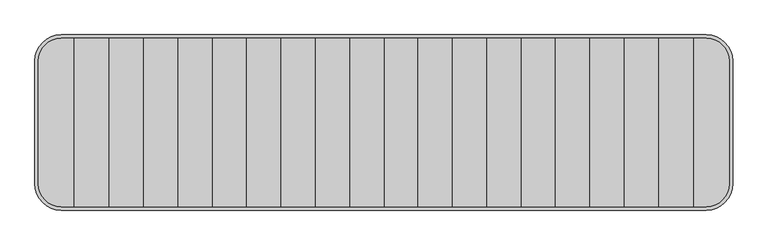
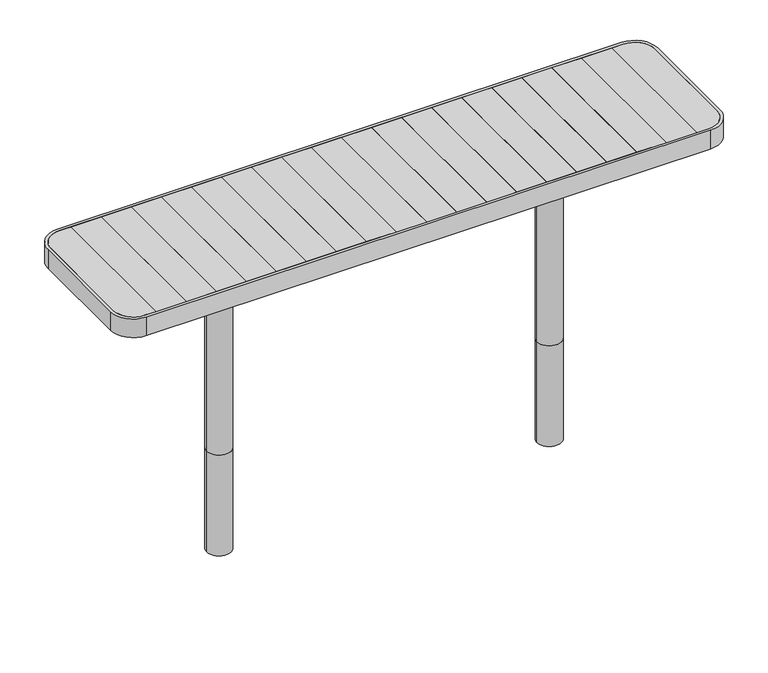
"""IFC4 building model written with IfcOpenShell, lengths in millimetres: furniture geometry."""

import ifcopenshell
import ifcopenshell.guid

model = None  # the IFC model being written
_history = None  # IfcOwnerHistory: only IFC2X3 demands one
_inside = {}  # id of a spatial element -> (the spatial element, [elements in it])
_under = {}  # id of a project, library or spatial element -> (it, [spatial elements below it])
_declared = {}  # id of a project -> (the project, [libraries it declares])
_typed = {}  # id of a type object -> (the type object, [elements of that type])
_made_of = {}  # id of a material, layer set ... -> (it, [elements and type objects made of it])


def new_model(schema):
    """Start an empty IFC model of exactly this schema.

    Asked for "IFC4X3", IfcOpenShell would pick the latest addendum, in which some entities
    have other attributes; the version numbers below select the first issue.
    IFC2X3 requires an IfcOwnerHistory on every rooted entity: one is made here for all.
    """
    global model, _history
    if schema == "IFC4X3":
        model = ifcopenshell.file(schema_version=(4, 3, 0, 0))
    else:
        model = ifcopenshell.file(schema=schema)
    _inside.clear()
    _under.clear()
    _declared.clear()
    _typed.clear()
    _made_of.clear()
    _history = None
    if model.schema == "IFC2X3":
        org = make("IfcOrganization", Name="unknown")
        user = make(
            "IfcPersonAndOrganization",
            ThePerson=make("IfcPerson", FamilyName="unknown"),
            TheOrganization=org,
        )
        app = make(
            "IfcApplication",
            ApplicationDeveloper=org,
            Version="unknown",
            ApplicationFullName="unknown",
            ApplicationIdentifier="unknown",
        )
        _history = make(
            "IfcOwnerHistory",
            OwningUser=user,
            OwningApplication=app,
            ChangeAction="ADDED",
            CreationDate=0,
        )
    return model


def make(cls, **values):
    """One entity of the class cls with the attributes given. An attribute that is None is left unset."""
    return model.create_entity(
        cls, **{name: value for name, value in values.items() if value is not None}
    )


def rooted(cls, **values):
    """An entity with a GlobalId (a new one), such as an element, a storey or a relation."""
    return make(cls, GlobalId=ifcopenshell.guid.new(), OwnerHistory=_history, **values)


def si_unit(unit_type, name, prefix=None):
    """IfcSIUnit, for example si_unit("LENGTHUNIT", "METRE", prefix="MILLI")."""
    return make("IfcSIUnit", UnitType=unit_type, Prefix=prefix, Name=name)


def assignment(units):
    """IfcUnitAssignment: the units of a project."""
    return None if units is None else make("IfcUnitAssignment", Units=units)


def point(xyz):
    """IfcCartesianPoint."""
    return None if xyz is None else make("IfcCartesianPoint", Coordinates=xyz)


def direction(xyz):
    """IfcDirection."""
    return None if xyz is None else make("IfcDirection", DirectionRatios=xyz)


def frame(location, z_axis=None, x_axis=None):
    """IfcAxis2Placement3D, a coordinate frame: its origin and axes. An axis left out is left unset."""
    return make(
        "IfcAxis2Placement3D",
        Location=point(location),
        Axis=direction(z_axis),
        RefDirection=direction(x_axis),
    )


def frame_2d(location, x_axis=None):
    """IfcAxis2Placement2D, a coordinate frame in the plane: its origin and x axis."""
    return make(
        "IfcAxis2Placement2D", Location=point(location), RefDirection=direction(x_axis)
    )


def origin():
    """The frame at (0, 0, 0) with its axes left unset."""
    return frame((0.0, 0.0, 0.0))


def origin_with_axes():
    """The frame at (0, 0, 0) with the z axis (0, 0, 1) and the x axis (1, 0, 0) written out."""
    return frame((0.0, 0.0, 0.0), z_axis=(0.0, 0.0, 1.0), x_axis=(1.0, 0.0, 0.0))


def place(relative_to, where):
    """IfcLocalPlacement: puts the frame where relative to a parent placement (None: the world)."""
    return make(
        "IfcLocalPlacement", PlacementRelTo=relative_to, RelativePlacement=where
    )


def context(
    kind, dimensions, precision=None, world=None, true_north=None, identifier=None
):
    """IfcGeometricRepresentationContext, for example the 3D "Model" context."""
    return make(
        "IfcGeometricRepresentationContext",
        ContextIdentifier=identifier,
        ContextType=kind,
        CoordinateSpaceDimension=dimensions,
        Precision=precision,
        WorldCoordinateSystem=world,
        TrueNorth=true_north,
    )


def project(units=None, contexts=None):
    """IfcProject with its units and contexts."""
    return rooted(
        "IfcProject",
        Name="project",
        RepresentationContexts=contexts,
        UnitsInContext=assignment(units),
    )


def spatial(cls, under=None, at=None, **own):
    """A site, building, storey or space (cls), placed at a placement, below another one or the project."""
    s = rooted(cls, ObjectPlacement=at, **own)
    if under is not None:
        _under.setdefault(under.id(), (under, []))[1].append(s)
    return s


def polyline(points):
    """IfcPolyline through the points."""
    return make("IfcPolyline", Points=[point(p) for p in points])


def circle_curve(where, radius):
    """IfcCircle in the frame where."""
    return make("IfcCircle", Position=where, Radius=radius)


def trimmed(basis, trim1, trim2, sense, master):
    """IfcTrimmedCurve: the piece of a basis curve between two trims."""
    return make(
        "IfcTrimmedCurve",
        BasisCurve=basis,
        Trim1=trim1,
        Trim2=trim2,
        SenseAgreement=sense,
        MasterRepresentation=master,
    )


def segment(curve, same_sense, transition):
    """IfcCompositeCurveSegment."""
    return make(
        "IfcCompositeCurveSegment",
        Transition=transition,
        SameSense=same_sense,
        ParentCurve=curve,
    )


def composite_curve(segments, self_intersect=None):
    """IfcCompositeCurve: segments joined end to end."""
    return make("IfcCompositeCurve", Segments=segments, SelfIntersect=self_intersect)


def outline(outer, holes=None, kind="AREA"):
    """IfcArbitraryClosedProfileDef: a profile drawn as a closed curve; with holes, ...WithVoids."""
    if holes is None:
        return make("IfcArbitraryClosedProfileDef", ProfileType=kind, OuterCurve=outer)
    return make(
        "IfcArbitraryProfileDefWithVoids",
        ProfileType=kind,
        OuterCurve=outer,
        InnerCurves=holes,
    )


def extrude(swept, where, along, depth):
    """IfcExtrudedAreaSolid: the profile swept, set in the frame where, extruded along a direction by depth."""
    return make(
        "IfcExtrudedAreaSolid",
        SweptArea=swept,
        Position=where,
        ExtrudedDirection=direction(along),
        Depth=depth,
    )


def shape(context_of_items, identifier, shape_type, items):
    """IfcShapeRepresentation: the items that make up one representation, for example the "Body"."""
    return make(
        "IfcShapeRepresentation",
        ContextOfItems=context_of_items,
        RepresentationIdentifier=identifier,
        RepresentationType=shape_type,
        Items=items,
    )


def source(mapping_origin, context_of_items, identifier, shape_type, items):
    """IfcRepresentationMap: a shape defined once, which mapped items show again and again."""
    return make(
        "IfcRepresentationMap",
        MappingOrigin=mapping_origin,
        MappedRepresentation=shape(context_of_items, identifier, shape_type, items),
    )


def transform(
    local_origin,
    x_axis=None,
    y_axis=None,
    z_axis=None,
    scale=None,
    scale2=None,
    scale3=None,
    uniform=True,
):
    """IfcCartesianTransformationOperator3D, or its non-uniform kind. x_axis, y_axis, z_axis: its Axis1, 2, 3."""
    if uniform:
        return make(
            "IfcCartesianTransformationOperator3D",
            Axis1=direction(x_axis),
            Axis2=direction(y_axis),
            LocalOrigin=point(local_origin),
            Scale=scale,
            Axis3=direction(z_axis),
        )
    return make(
        "IfcCartesianTransformationOperator3DnonUniform",
        Axis1=direction(x_axis),
        Axis2=direction(y_axis),
        LocalOrigin=point(local_origin),
        Scale=scale,
        Axis3=direction(z_axis),
        Scale2=scale2,
        Scale3=scale3,
    )


def mapped(mapping_source, mapping_target):
    """IfcMappedItem: shows the shape of a source again, moved by a transform."""
    return make(
        "IfcMappedItem", MappingSource=mapping_source, MappingTarget=mapping_target
    )


def made_of(thing, what):
    """Note that an element or type object is made of a material, layer set ...; save() writes the relation."""
    if what is not None:
        _made_of.setdefault(what.id(), (what, []))[1].append(thing)
    return thing


def element(
    cls,
    number,
    at=None,
    inside=None,
    cuts=None,
    type_object=None,
    material=None,
    context=None,
    identifier="Body",
    shape_type=None,
    held_by="IfcProductDefinitionShape",
    body=None,
    shapes=None,
    **own,
):
    """One element of the class cls, such as IfcWall. Its Tag is "e" and its number.

    at: its placement. inside: the storey or other place that contains it. cuts: it is an
    opening in that element (IfcRelVoidsElement). A single representation is given by context,
    identifier, shape_type and body (its items); several are given by shapes. held_by: the class
    of the entity that holds the representations. save() writes the other relations.
    """
    e = rooted(cls, Tag="e%d" % number, ObjectPlacement=at, **own)
    if body is not None:
        shapes = [shape(context, identifier, shape_type, body)]
    if shapes is not None:
        e.Representation = make(held_by, Representations=shapes)
    if inside is not None:
        _inside.setdefault(inside.id(), (inside, []))[1].append(e)
    if cuts is not None:
        rooted(
            "IfcRelVoidsElement", RelatingBuildingElement=cuts, RelatedOpeningElement=e
        )
    if type_object is not None:
        _typed.setdefault(type_object.id(), (type_object, []))[1].append(e)
    return made_of(e, material)


def aggregate(whole, parts):
    """IfcRelAggregates: a whole, such as a stair, and the parts it consists of."""
    return rooted("IfcRelAggregates", RelatingObject=whole, RelatedObjects=parts)


def save(model, path):
    """Write the relations noted so far, then the file.

    IfcRelAggregates (storeys below a building ...), IfcRelContainedInSpatialStructure (elements
    in a storey), IfcRelDefinesByType, IfcRelAssociatesMaterial and IfcRelDeclares: one each for
    every whole, place, type object, material and project.
    """
    for whole, parts in _under.values():
        aggregate(whole, parts)
    for where, things in _inside.values():
        rooted(
            "IfcRelContainedInSpatialStructure",
            RelatedElements=things,
            RelatingStructure=where,
        )
    for kind, things in _typed.values():
        rooted("IfcRelDefinesByType", RelatedObjects=things, RelatingType=kind)
    for what, things in _made_of.values():
        rooted("IfcRelAssociatesMaterial", RelatedObjects=things, RelatingMaterial=what)
    for by, libraries in _declared.values():
        rooted("IfcRelDeclares", RelatingContext=by, RelatedDefinitions=libraries)
    model.write(path)


def plane_surface(at):
    """IfcPlane: the flat surface through the origin of the frame at, square to its z axis."""
    return make("IfcPlane", Position=at)


def cylinder_surface(at, radius):
    """IfcCylindricalSurface: all points at the distance radius from the z axis of the frame at."""
    return make("IfcCylindricalSurface", Position=at, Radius=radius)


def advanced_brep(points, edges, surfaces, faces):
    """IfcAdvancedBrep: a solid bounded by faces that lie on surfaces and meet in shared edges.

    An edge is (start, end): straight between two places in points (the first is 0);
    or (start, end, curve); or (start, end, curve, False) where it runs against its curve.
    A face is (place in surfaces, loops), or (place, loops, False) where it looks against
    its surface's normal. A loop lists edges by number (the first is 1), with a minus sign
    where the edge is run from its end to its start. The first loop is the outer one.
    """
    corners = [point(p) for p in points]
    vertices = [make("IfcVertexPoint", VertexGeometry=c) for c in corners]
    made = []
    for start, end, *more in edges:
        made.append(
            make(
                "IfcEdgeCurve",
                EdgeStart=vertices[start],
                EdgeEnd=vertices[end],
                EdgeGeometry=more[0] if more else make("IfcPolyline", Points=[corners[start], corners[end]]),
                SameSense=more[1] if len(more) > 1 else True,
            )
        )
    hull = []
    for where, loops, *sense in faces:
        bounds = []
        for j, loop in enumerate(loops):
            ring = [make("IfcOrientedEdge", EdgeElement=made[abs(k) - 1], Orientation=k > 0) for k in loop]
            bounds.append(
                make(
                    "IfcFaceOuterBound" if j == 0 else "IfcFaceBound",
                    Bound=make("IfcEdgeLoop", EdgeList=ring),
                    Orientation=True,
                )
            )
        hull.append(make("IfcAdvancedFace", Bounds=bounds, FaceSurface=surfaces[where], SameSense=sense[0] if sense else True))
    return make("IfcAdvancedBrep", Outer=make("IfcClosedShell", CfsFaces=hull))


def furniture_fd0d59cf(model_context):
    return source(origin(), model_context, "Body", "SolidModel", [
        extrude(outline(polyline([(-789.6, -242.0), (-888.3, -242.0), (-888.3, 242.0), (-789.6, 242.0), (-789.6, -242.0)])), frame((0.0, 0.0, 712.0), z_axis=(0.0, 0.0, 1.0), x_axis=(1.0, 0.0, 0.0)), (0.0, 0.0, 1.0), 28.0),
        extrude(outline(polyline([(-690.9, -242.0), (-789.6, -242.0), (-789.6, 242.0), (-690.9, 242.0), (-690.9, -242.0)])), frame((0.0, 0.0, 712.0), z_axis=(0.0, 0.0, 1.0), x_axis=(1.0, 0.0, 0.0)), (0.0, 0.0, 1.0), 28.0),
        extrude(outline(polyline([(-592.2, -242.0), (-690.9, -242.0), (-690.9, 242.0), (-592.2, 242.0), (-592.2, -242.0)])), frame((0.0, 0.0, 712.0), z_axis=(0.0, 0.0, 1.0), x_axis=(1.0, 0.0, 0.0)), (0.0, 0.0, 1.0), 28.0),
        extrude(outline(polyline([(-493.5, -242.0), (-592.2, -242.0), (-592.2, 242.0), (-493.5, 242.0), (-493.5, -242.0)])), frame((0.0, 0.0, 712.0), z_axis=(0.0, 0.0, 1.0), x_axis=(1.0, 0.0, 0.0)), (0.0, 0.0, 1.0), 28.0),
        extrude(outline(polyline([(-394.8, -242.0), (-493.5, -242.0), (-493.5, 242.0), (-394.8, 242.0), (-394.8, -242.0)])), frame((0.0, 0.0, 712.0), z_axis=(0.0, 0.0, 1.0), x_axis=(1.0, 0.0, 0.0)), (0.0, 0.0, 1.0), 28.0),
        extrude(outline(polyline([(-296.1, -242.0), (-394.8, -242.0), (-394.8, 242.0), (-296.1, 242.0), (-296.1, -242.0)])), frame((0.0, 0.0, 712.0), z_axis=(0.0, 0.0, 1.0), x_axis=(1.0, 0.0, 0.0)), (0.0, 0.0, 1.0), 28.0),
        extrude(outline(composite_curve([segment(polyline([(-991.9176702, -177.0), (-991.9176702, 177.0)]), True, "CONTINUOUS"), segment(trimmed(circle_curve(frame_2d((-926.9176702, 177.0)), 65.0), [point((-991.9176702, 177.0))], [point((-926.9176702, 242.0))], False, "CARTESIAN"), True, "CONTINUOUS"), segment(polyline([(-926.9176702, 242.0), (-888.3, 242.0), (-888.3, -242.0), (-926.9176702, -242.0)]), True, "CONTINUOUS"), segment(trimmed(circle_curve(frame_2d((-926.9176702, -177.0)), 65.0), [point((-926.9176702, -242.0))], [point((-991.9176702, -177.0))], False, "CARTESIAN"), True, "CONTINUOUS")], self_intersect=False)), frame((0.0, 0.0, 712.0), z_axis=(0.0, 0.0, 1.0), x_axis=(1.0, 0.0, 0.0)), (0.0, 0.0, 1.0), 28.0),
        extrude(outline(polyline([(-197.4, -242.0), (-296.1, -242.0), (-296.1, 242.0), (-197.4, 242.0), (-197.4, -242.0)])), frame((0.0, 0.0, 712.0), z_axis=(0.0, 0.0, 1.0), x_axis=(1.0, 0.0, 0.0)), (0.0, 0.0, 1.0), 28.0),
        extrude(outline(polyline([(-98.7, -242.0), (-197.4, -242.0), (-197.4, 242.0), (-98.7, 242.0), (-98.7, -242.0)])), frame((0.0, 0.0, 712.0), z_axis=(0.0, 0.0, 1.0), x_axis=(1.0, 0.0, 0.0)), (0.0, 0.0, 1.0), 28.0),
        extrude(outline(polyline([(0.0, -242.0), (-98.7, -242.0), (-98.7, 242.0), (0.0, 242.0), (0.0, -242.0)])), frame((0.0, 0.0, 712.0), z_axis=(0.0, 0.0, 1.0), x_axis=(1.0, 0.0, 0.0)), (0.0, 0.0, 1.0), 28.0),
        extrude(outline(polyline([(888.3, -242.0), (789.6, -242.0), (789.6, 242.0), (888.3, 242.0), (888.3, -242.0)])), frame((0.0, 0.0, 712.0), z_axis=(0.0, 0.0, 1.0), x_axis=(1.0, 0.0, 0.0)), (0.0, 0.0, 1.0), 28.0),
        extrude(outline(polyline([(789.6, -242.0), (690.9, -242.0), (690.9, 242.0), (789.6, 242.0), (789.6, -242.0)])), frame((0.0, 0.0, 712.0), z_axis=(0.0, 0.0, 1.0), x_axis=(1.0, 0.0, 0.0)), (0.0, 0.0, 1.0), 28.0),
        extrude(outline(polyline([(690.9, -242.0), (592.2, -242.0), (592.2, 242.0), (690.9, 242.0), (690.9, -242.0)])), frame((0.0, 0.0, 712.0), z_axis=(0.0, 0.0, 1.0), x_axis=(1.0, 0.0, 0.0)), (0.0, 0.0, 1.0), 28.0),
        extrude(outline(polyline([(592.2, -242.0), (493.5, -242.0), (493.5, 242.0), (592.2, 242.0), (592.2, -242.0)])), frame((0.0, 0.0, 712.0), z_axis=(0.0, 0.0, 1.0), x_axis=(1.0, 0.0, 0.0)), (0.0, 0.0, 1.0), 28.0),
        extrude(outline(polyline([(493.5, -242.0), (394.8, -242.0), (394.8, 242.0), (493.5, 242.0), (493.5, -242.0)])), frame((0.0, 0.0, 712.0), z_axis=(0.0, 0.0, 1.0), x_axis=(1.0, 0.0, 0.0)), (0.0, 0.0, 1.0), 28.0),
        extrude(outline(polyline([(394.8, -242.0), (296.1, -242.0), (296.1, 242.0), (394.8, 242.0), (394.8, -242.0)])), frame((0.0, 0.0, 712.0), z_axis=(0.0, 0.0, 1.0), x_axis=(1.0, 0.0, 0.0)), (0.0, 0.0, 1.0), 28.0),
        extrude(outline(composite_curve([segment(trimmed(circle_curve(frame_2d((926.9176702, -177.0)), 65.0), [point((991.9176702, -177.0))], [point((926.9176702, -242.0))], False, "CARTESIAN"), True, "CONTINUOUS"), segment(polyline([(926.9176702, -242.0), (888.3, -242.0), (888.3, 242.0), (926.9176702, 242.0)]), True, "CONTINUOUS"), segment(trimmed(circle_curve(frame_2d((926.9176702, 177.0)), 65.0), [point((926.9176702, 242.0))], [point((991.9176702, 177.0))], False, "CARTESIAN"), True, "CONTINUOUS"), segment(polyline([(991.9176702, 177.0), (991.9176702, -177.0)]), True, "CONTINUOUS")], self_intersect=False)), frame((0.0, 0.0, 712.0), z_axis=(0.0, 0.0, 1.0), x_axis=(1.0, 0.0, 0.0)), (0.0, 0.0, 1.0), 28.0),
        extrude(outline(polyline([(296.1, -242.0), (197.4, -242.0), (197.4, 242.0), (296.1, 242.0), (296.1, -242.0)])), frame((0.0, 0.0, 712.0), z_axis=(0.0, 0.0, 1.0), x_axis=(1.0, 0.0, 0.0)), (0.0, 0.0, 1.0), 28.0),
        extrude(outline(polyline([(197.4, -242.0), (98.7, -242.0), (98.7, 242.0), (197.4, 242.0), (197.4, -242.0)])), frame((0.0, 0.0, 712.0), z_axis=(0.0, 0.0, 1.0), x_axis=(1.0, 0.0, 0.0)), (0.0, 0.0, 1.0), 28.0),
        extrude(outline(polyline([(98.7, -242.0), (0.0, -242.0), (0.0, 242.0), (98.7, 242.0), (98.7, -242.0)])), frame((0.0, 0.0, 712.0), z_axis=(0.0, 0.0, 1.0), x_axis=(1.0, 0.0, 0.0)), (0.0, 0.0, 1.0), 28.0),
        advanced_brep(
        [(-991.9176702, 177.0, 708.0), (-926.9176702, 242.0, 708.0), (926.9176702, 242.0, 708.0), (991.9176702, 177.0, 708.0), (991.9176702, -177.0, 708.0), (926.9176702, -242.0, 708.0), (-926.9176702, -242.0, 708.0), (-991.9176702, -177.0, 708.0), (-583.3785308, -142.0, 708.0), (-583.3785308, 142.0, 708.0), (-893.3, 141.9868511, 708.0), (-893.3, -142.0, 708.0), (-502.3618569, 142.0, 708.0), (-502.3618569, -142.0, 708.0), (502.3618569, -142.0, 708.0), (502.3618569, 142.0, 708.0), (893.3, 141.9868511, 708.0), (583.3785308, 141.9897709, 708.0), (583.3785308, -142.0, 708.0), (893.3, -142.0, 708.0), (-583.3785308, -142.0, 712.0), (-583.3785308, 142.0, 712.0), (-991.9176702, 177.0, 712.0), (-991.9176702, -177.0, 712.0), (-926.9176702, -242.0, 712.0), (926.9176702, -242.0, 712.0), (991.9176702, -177.0, 712.0), (991.9176702, 177.0, 712.0), (926.9176702, 242.0, 712.0), (-926.9176702, 242.0, 712.0), (-893.3, -142.0, 712.0), (-893.3, 141.9868511, 712.0), (-502.3618569, -142.0, 712.0), (-502.3618569, 142.0, 712.0), (502.3618569, 141.9905342, 712.0), (502.3618569, -142.0, 712.0), (893.3, -142.0, 712.0), (583.3785308, -142.0, 712.0), (583.3785308, 142.0, 712.0), (893.3, 141.9868511, 712.0)],
        [
            (0, 1, circle_curve(frame((-926.9176702, 177.0, 708.0), z_axis=(0.0, 0.0, -1.0), x_axis=(1.0, 0.0, 0.0)), 65.0)),
            (1, 2),
            (2, 3, circle_curve(frame((926.9176702, 177.0, 708.0), z_axis=(0.0, 0.0, -1.0), x_axis=(-1.0, 0.0, 0.0)), 65.0)),
            (3, 4),
            (4, 5, circle_curve(frame((926.9176702, -177.0, 708.0), z_axis=(0.0, 0.0, -1.0), x_axis=(-1.0, 0.0, 0.0)), 65.0)),
            (5, 6),
            (6, 7, circle_curve(frame((-926.9176702, -177.0, 708.0), z_axis=(0.0, 0.0, -1.0), x_axis=(1.0, 0.0, 0.0)), 65.0)),
            (7, 0),
            (8, 9),
            (9, 10),
            (10, 11),
            (11, 8),
            (12, 13),
            (13, 14),
            (14, 15),
            (15, 12),
            (16, 17),
            (17, 18),
            (18, 19),
            (19, 16),
            (8, 20),
            (20, 21),
            (21, 9),
            (22, 23),
            (23, 24, circle_curve(frame((-926.9176702, -177.0, 712.0), z_axis=(0.0, 0.0, 1.0), x_axis=(1.0, 0.0, 0.0)), 65.0)),
            (24, 25),
            (25, 26, circle_curve(frame((926.9176702, -177.0, 712.0), z_axis=(0.0, 0.0, 1.0), x_axis=(-1.0, 0.0, 0.0)), 65.0)),
            (26, 27),
            (27, 28, circle_curve(frame((926.9176702, 177.0, 712.0), z_axis=(0.0, 0.0, 1.0), x_axis=(-1.0, 0.0, 0.0)), 65.0)),
            (28, 29),
            (29, 22, circle_curve(frame((-926.9176702, 177.0, 712.0), z_axis=(0.0, 0.0, 1.0), x_axis=(1.0, 0.0, 0.0)), 65.0)),
            (20, 30),
            (30, 31),
            (31, 21),
            (32, 33),
            (33, 34),
            (34, 35),
            (35, 32),
            (36, 37),
            (37, 38),
            (38, 39),
            (39, 36),
            (12, 33),
            (32, 13),
            (22, 0),
            (7, 23),
            (6, 24),
            (5, 25),
            (4, 26),
            (3, 27),
            (2, 28),
            (1, 29),
            (15, 34),
            (31, 10),
            (16, 39),
            (38, 17),
            (19, 36),
            (35, 14),
            (18, 37),
            (11, 30),
        ],
        [
            plane_surface(frame((-583.3785308, -142.0, 708.0), z_axis=(0.0, 0.0, -1.0), x_axis=(0.0, 1.0, 0.0))),
            plane_surface(frame((-583.3785308, -142.0, 712.0), z_axis=(-1.0, 0.0, 0.0), x_axis=(0.0, 1.0, 0.0))),
            plane_surface(frame((-502.3618569, -142.0, 712.0), z_axis=(0.0, 0.0, 1.0), x_axis=(0.0, 1.0, 0.0))),
            plane_surface(frame((-502.3618569, -142.0, 708.0), z_axis=(1.0, 0.0, 0.0), x_axis=(0.0, 1.0, 0.0))),
            plane_surface(frame((-991.9176702, 177.0, 712.0), z_axis=(-1.0, 0.0, 0.0), x_axis=(0.0, 0.0, -1.0))),
            cylinder_surface(frame((-926.9176702, -177.0, 708.0), z_axis=(0.0, 0.0, 1.0), x_axis=(1.0, 0.0, 0.0)), 65.0),
            plane_surface(frame((-926.9176702, -242.0, 712.0), z_axis=(0.0, -1.0, 0.0), x_axis=(0.0, 0.0, -1.0))),
            cylinder_surface(frame((926.9176702, -177.0, 708.0), z_axis=(0.0, 0.0, 1.0), x_axis=(-1.0, 0.0, 0.0)), 65.0),
            plane_surface(frame((991.9176702, -177.0, 712.0), z_axis=(1.0, 0.0, 0.0), x_axis=(0.0, 0.0, -1.0))),
            cylinder_surface(frame((926.9176702, 177.0, 708.0), z_axis=(0.0, 0.0, 1.0), x_axis=(-1.0, 0.0, 0.0)), 65.0),
            plane_surface(frame((926.9176702, 242.0, 712.0), z_axis=(0.0, 1.0, 0.0), x_axis=(0.0, 0.0, -1.0))),
            cylinder_surface(frame((-926.9176702, 177.0, 708.0), z_axis=(0.0, 0.0, 1.0), x_axis=(1.0, 0.0, 0.0)), 65.0),
            plane_surface(frame((-893.3, 141.9868511, 712.0), z_axis=(0.0, -1.0, 0.0), x_axis=(0.0, 0.0, -1.0))),
            plane_surface(frame((893.3, 141.9868511, 712.0), z_axis=(-1.0, 0.0, 0.0), x_axis=(0.0, 0.0, -1.0))),
            plane_surface(frame((893.3, -142.0, 712.0), z_axis=(0.0, 1.0, 0.0), x_axis=(0.0, 0.0, -1.0))),
            plane_surface(frame((-893.3, -142.0, 712.0), z_axis=(1.0, 0.0, 0.0), x_axis=(0.0, 0.0, -1.0))),
            plane_surface(frame((583.3785308, -142.0, 708.0), z_axis=(1.0, 0.0, 0.0), x_axis=(0.0, 1.0, 0.0))),
            plane_surface(frame((502.3618569, -142.0, 712.0), z_axis=(-1.0, 0.0, 0.0), x_axis=(0.0, 1.0, 0.0))),
        ],
        [
            (0, [[1, 2, 3, 4, 5, 6, 7, 8], [9, 10, 11, 12], [13, 14, 15, 16], [17, 18, 19, 20]]),
            (1, [[-9, 21, 22, 23]]),
            (2, [[24, 25, 26, 27, 28, 29, 30, 31], [-22, 32, 33, 34], [35, 36, 37, 38], [39, 40, 41, 42]]),
            (3, [[-13, 43, -35, 44]]),
            (4, [[-24, 45, -8, 46]]),
            (5, [[-25, -46, -7, 47]]),
            (6, [[-26, -47, -6, 48]]),
            (7, [[-27, -48, -5, 49]]),
            (8, [[-28, -49, -4, 50]]),
            (9, [[-29, -50, -3, 51]]),
            (10, [[-30, -51, -2, 52]]),
            (11, [[-31, -52, -1, -45]]),
            (12, [[-43, -16, 53, -36]]),
            (12, [[54, -10, -23, -34]]),
            (12, [[55, -41, 56, -17]]),
            (13, [[-42, -55, -20, 57]]),
            (14, [[-44, -38, 58, -14]]),
            (14, [[-57, -19, 59, -39]]),
            (14, [[60, -32, -21, -12]]),
            (15, [[-33, -60, -11, -54]]),
            (16, [[-18, -56, -40, -59]]),
            (17, [[-15, -58, -37, -53]]),
        ],
    ),
        extrude(outline(composite_curve([segment(trimmed(circle_curve(frame_2d((542.8271918, 0.0)), 40.0), [point((582.8271918, 0.0))], [point((502.8271918, 0.0))], False, "CARTESIAN"), True, "CONTINUOUS"), segment(trimmed(circle_curve(frame_2d((542.8271918, 0.0)), 40.0), [point((502.8271918, 0.0))], [point((582.8271918, 0.0))], False, "CARTESIAN"), True, "CONTINUOUS")], self_intersect=False)), origin_with_axes(), (0.0, 0.0, 1.0), 708.0),
        extrude(outline(composite_curve([segment(trimmed(circle_curve(frame_2d((-542.8271918, 0.0)), 40.0), [point((-582.8271918, 0.0))], [point((-502.8271918, 0.0))], False, "CARTESIAN"), True, "CONTINUOUS"), segment(trimmed(circle_curve(frame_2d((-542.8271918, 0.0)), 40.0), [point((-502.8271918, 0.0))], [point((-582.8271918, 0.0))], False, "CARTESIAN"), True, "CONTINUOUS")], self_intersect=False)), origin_with_axes(), (0.0, 0.0, 1.0), 708.0),
        extrude(outline(composite_curve([segment(polyline([(-1001.9176702, -177.0), (-1001.9176702, 177.0)]), True, "CONTINUOUS"), segment(trimmed(circle_curve(frame_2d((-926.9176702, 177.0)), 75.0), [point((-1001.9176702, 177.0))], [point((-926.9176702, 252.0))], False, "CARTESIAN"), True, "CONTINUOUS"), segment(polyline([(-926.9176702, 252.0), (926.9176702, 252.0)]), True, "CONTINUOUS"), segment(trimmed(circle_curve(frame_2d((926.9176702, 177.0)), 75.0), [point((926.9176702, 252.0))], [point((1001.9176702, 177.0))], False, "CARTESIAN"), True, "CONTINUOUS"), segment(polyline([(1001.9176702, 177.0), (1001.9176702, -177.0)]), True, "CONTINUOUS"), segment(trimmed(circle_curve(frame_2d((926.9176702, -177.0)), 75.0), [point((1001.9176702, -177.0))], [point((926.9176702, -252.0))], False, "CARTESIAN"), True, "CONTINUOUS"), segment(polyline([(926.9176702, -252.0), (-926.9176702, -252.0)]), True, "CONTINUOUS"), segment(trimmed(circle_curve(frame_2d((-926.9176702, -177.0)), 75.0), [point((-926.9176702, -252.0))], [point((-1001.9176702, -177.0))], False, "CARTESIAN"), True, "CONTINUOUS")], self_intersect=False), holes=[composite_curve([segment(trimmed(circle_curve(frame_2d((-926.9176702, -177.0)), 65.0), [point((-991.9176702, -177.0))], [point((-926.9176702, -242.0))], True, "CARTESIAN"), True, "CONTINUOUS"), segment(polyline([(-926.9176702, -242.0), (926.9176702, -242.0)]), True, "CONTINUOUS"), segment(trimmed(circle_curve(frame_2d((926.9176702, -177.0)), 65.0), [point((926.9176702, -242.0))], [point((991.9176702, -177.0))], True, "CARTESIAN"), True, "CONTINUOUS"), segment(polyline([(991.9176702, -177.0), (991.9176702, 177.0)]), True, "CONTINUOUS"), segment(trimmed(circle_curve(frame_2d((926.9176702, 177.0)), 65.0), [point((991.9176702, 177.0))], [point((926.9176702, 242.0))], True, "CARTESIAN"), True, "CONTINUOUS"), segment(polyline([(926.9176702, 242.0), (-926.9176702, 242.0)]), True, "CONTINUOUS"), segment(trimmed(circle_curve(frame_2d((-926.9176702, 177.0)), 65.0), [point((-926.9176702, 242.0))], [point((-991.9176702, 177.0))], True, "CARTESIAN"), True, "CONTINUOUS"), segment(polyline([(-991.9176702, 177.0), (-991.9176702, -177.0)]), True, "CONTINUOUS")], self_intersect=False)]), frame((0.0, 0.0, 675.0000413), z_axis=(0.0, 0.0, 1.0), x_axis=(1.0, 0.0, 0.0)), (0.0, 0.0, 1.0), 64.9999587),
        extrude(outline(composite_curve([segment(trimmed(circle_curve(frame_2d((542.8271918, 0.0)), 40.0), [point((582.8271918, 0.0))], [point((502.8271918, 0.0))], False, "CARTESIAN"), True, "CONTINUOUS"), segment(trimmed(circle_curve(frame_2d((542.8271918, 0.0)), 40.0), [point((502.8271918, 0.0))], [point((582.8271918, 0.0))], False, "CARTESIAN"), True, "CONTINUOUS")], self_intersect=False)), frame((0.0, 0.0, -350.0), z_axis=(0.0, 0.0, 1.0), x_axis=(1.0, 0.0, 0.0)), (0.0, 0.0, 1.0), 350.0),
        extrude(outline(composite_curve([segment(trimmed(circle_curve(frame_2d((-542.8271918, 0.0)), 40.0), [point((-582.8271918, 0.0))], [point((-502.8271918, 0.0))], False, "CARTESIAN"), True, "CONTINUOUS"), segment(trimmed(circle_curve(frame_2d((-542.8271918, 0.0)), 40.0), [point((-502.8271918, 0.0))], [point((-582.8271918, 0.0))], False, "CARTESIAN"), True, "CONTINUOUS")], self_intersect=False)), frame((0.0, 0.0, -350.0), z_axis=(0.0, 0.0, 1.0), x_axis=(1.0, 0.0, 0.0)), (0.0, 0.0, 1.0), 350.0),
    ])


if __name__ == "__main__":
    model = new_model("IFC4")
    model_context = context("Model", 3, world=origin())
    ifc_project = project(units=[si_unit("LENGTHUNIT", "METRE", prefix="MILLI")], contexts=[model_context])
    site = spatial("IfcSite", under=ifc_project)
    building = spatial("IfcBuilding", under=site)
    placement = place(None, origin())
    furniture_shape = furniture_fd0d59cf(model_context)
    element("IfcFurniture", 1, at=placement, inside=building, context=model_context, shape_type="MappedRepresentation", body=[
        mapped(furniture_shape, transform((0.0, 0.0, 0.0), x_axis=(1.0, 0.0, 0.0), y_axis=(0.0, 1.0, 0.0), z_axis=(0.0, 0.0, 1.0))),
    ])
    save(model, "model.ifc")
